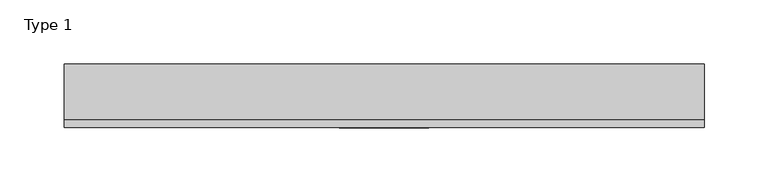
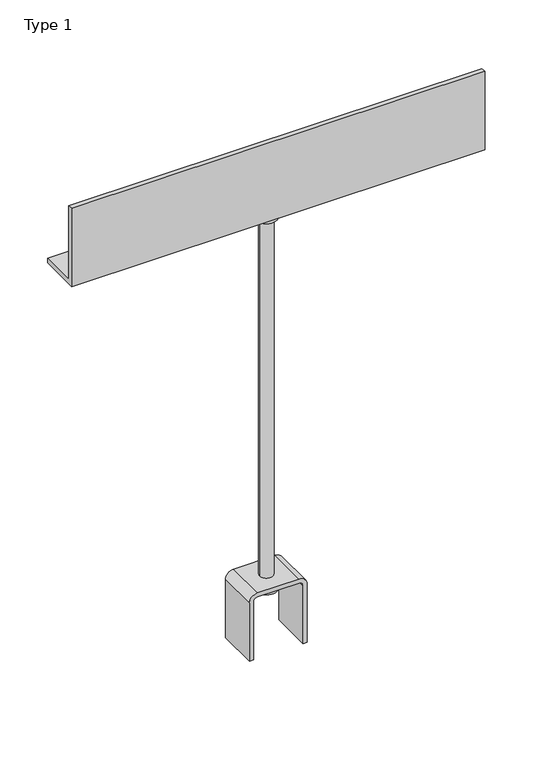
"""IFC4 building model written with IfcOpenShell, lengths in millimetres: proxy geometry, Type 1."""

import ifcopenshell
import ifcopenshell.guid

model = None  # the IFC model being written
_history = None  # IfcOwnerHistory: only IFC2X3 demands one
_inside = {}  # id of a spatial element -> (the spatial element, [elements in it])
_under = {}  # id of a project, library or spatial element -> (it, [spatial elements below it])
_declared = {}  # id of a project -> (the project, [libraries it declares])
_typed = {}  # id of a type object -> (the type object, [elements of that type])
_made_of = {}  # id of a material, layer set ... -> (it, [elements and type objects made of it])


def new_model(schema):
    """Start an empty IFC model of exactly this schema.

    Asked for "IFC4X3", IfcOpenShell would pick the latest addendum, in which some entities
    have other attributes; the version numbers below select the first issue.
    IFC2X3 requires an IfcOwnerHistory on every rooted entity: one is made here for all.
    """
    global model, _history
    if schema == "IFC4X3":
        model = ifcopenshell.file(schema_version=(4, 3, 0, 0))
    else:
        model = ifcopenshell.file(schema=schema)
    _inside.clear()
    _under.clear()
    _declared.clear()
    _typed.clear()
    _made_of.clear()
    _history = None
    if model.schema == "IFC2X3":
        org = make("IfcOrganization", Name="unknown")
        user = make(
            "IfcPersonAndOrganization",
            ThePerson=make("IfcPerson", FamilyName="unknown"),
            TheOrganization=org,
        )
        app = make(
            "IfcApplication",
            ApplicationDeveloper=org,
            Version="unknown",
            ApplicationFullName="unknown",
            ApplicationIdentifier="unknown",
        )
        _history = make(
            "IfcOwnerHistory",
            OwningUser=user,
            OwningApplication=app,
            ChangeAction="ADDED",
            CreationDate=0,
        )
    return model


def make(cls, **values):
    """One entity of the class cls with the attributes given. An attribute that is None is left unset."""
    return model.create_entity(
        cls, **{name: value for name, value in values.items() if value is not None}
    )


def rooted(cls, **values):
    """An entity with a GlobalId (a new one), such as an element, a storey or a relation."""
    return make(cls, GlobalId=ifcopenshell.guid.new(), OwnerHistory=_history, **values)


def si_unit(unit_type, name, prefix=None):
    """IfcSIUnit, for example si_unit("LENGTHUNIT", "METRE", prefix="MILLI")."""
    return make("IfcSIUnit", UnitType=unit_type, Prefix=prefix, Name=name)


def assignment(units):
    """IfcUnitAssignment: the units of a project."""
    return None if units is None else make("IfcUnitAssignment", Units=units)


def point(xyz):
    """IfcCartesianPoint."""
    return None if xyz is None else make("IfcCartesianPoint", Coordinates=xyz)


def direction(xyz):
    """IfcDirection."""
    return None if xyz is None else make("IfcDirection", DirectionRatios=xyz)


def frame(location, z_axis=None, x_axis=None):
    """IfcAxis2Placement3D, a coordinate frame: its origin and axes. An axis left out is left unset."""
    return make(
        "IfcAxis2Placement3D",
        Location=point(location),
        Axis=direction(z_axis),
        RefDirection=direction(x_axis),
    )


def frame_2d(location, x_axis=None):
    """IfcAxis2Placement2D, a coordinate frame in the plane: its origin and x axis."""
    return make(
        "IfcAxis2Placement2D", Location=point(location), RefDirection=direction(x_axis)
    )


def origin():
    """The frame at (0, 0, 0) with its axes left unset."""
    return frame((0.0, 0.0, 0.0))


def place(relative_to, where):
    """IfcLocalPlacement: puts the frame where relative to a parent placement (None: the world)."""
    return make(
        "IfcLocalPlacement", PlacementRelTo=relative_to, RelativePlacement=where
    )


def context(
    kind, dimensions, precision=None, world=None, true_north=None, identifier=None
):
    """IfcGeometricRepresentationContext, for example the 3D "Model" context."""
    return make(
        "IfcGeometricRepresentationContext",
        ContextIdentifier=identifier,
        ContextType=kind,
        CoordinateSpaceDimension=dimensions,
        Precision=precision,
        WorldCoordinateSystem=world,
        TrueNorth=true_north,
    )


def project(units=None, contexts=None):
    """IfcProject with its units and contexts."""
    return rooted(
        "IfcProject",
        Name="project",
        RepresentationContexts=contexts,
        UnitsInContext=assignment(units),
    )


def spatial(cls, under=None, at=None, **own):
    """A site, building, storey or space (cls), placed at a placement, below another one or the project."""
    s = rooted(cls, ObjectPlacement=at, **own)
    if under is not None:
        _under.setdefault(under.id(), (under, []))[1].append(s)
    return s


def polyline(points):
    """IfcPolyline through the points."""
    return make("IfcPolyline", Points=[point(p) for p in points])


def circle_curve(where, radius):
    """IfcCircle in the frame where."""
    return make("IfcCircle", Position=where, Radius=radius)


def trimmed(basis, trim1, trim2, sense, master):
    """IfcTrimmedCurve: the piece of a basis curve between two trims."""
    return make(
        "IfcTrimmedCurve",
        BasisCurve=basis,
        Trim1=trim1,
        Trim2=trim2,
        SenseAgreement=sense,
        MasterRepresentation=master,
    )


def segment(curve, same_sense, transition):
    """IfcCompositeCurveSegment."""
    return make(
        "IfcCompositeCurveSegment",
        Transition=transition,
        SameSense=same_sense,
        ParentCurve=curve,
    )


def composite_curve(segments, self_intersect=None):
    """IfcCompositeCurve: segments joined end to end."""
    return make("IfcCompositeCurve", Segments=segments, SelfIntersect=self_intersect)


def outline(outer, holes=None, kind="AREA"):
    """IfcArbitraryClosedProfileDef: a profile drawn as a closed curve; with holes, ...WithVoids."""
    if holes is None:
        return make("IfcArbitraryClosedProfileDef", ProfileType=kind, OuterCurve=outer)
    return make(
        "IfcArbitraryProfileDefWithVoids",
        ProfileType=kind,
        OuterCurve=outer,
        InnerCurves=holes,
    )


def extrude(swept, where, along, depth):
    """IfcExtrudedAreaSolid: the profile swept, set in the frame where, extruded along a direction by depth."""
    return make(
        "IfcExtrudedAreaSolid",
        SweptArea=swept,
        Position=where,
        ExtrudedDirection=direction(along),
        Depth=depth,
    )


def shape(context_of_items, identifier, shape_type, items):
    """IfcShapeRepresentation: the items that make up one representation, for example the "Body"."""
    return make(
        "IfcShapeRepresentation",
        ContextOfItems=context_of_items,
        RepresentationIdentifier=identifier,
        RepresentationType=shape_type,
        Items=items,
    )


def source(mapping_origin, context_of_items, identifier, shape_type, items):
    """IfcRepresentationMap: a shape defined once, which mapped items show again and again."""
    return make(
        "IfcRepresentationMap",
        MappingOrigin=mapping_origin,
        MappedRepresentation=shape(context_of_items, identifier, shape_type, items),
    )


def transform(
    local_origin,
    x_axis=None,
    y_axis=None,
    z_axis=None,
    scale=None,
    scale2=None,
    scale3=None,
    uniform=True,
):
    """IfcCartesianTransformationOperator3D, or its non-uniform kind. x_axis, y_axis, z_axis: its Axis1, 2, 3."""
    if uniform:
        return make(
            "IfcCartesianTransformationOperator3D",
            Axis1=direction(x_axis),
            Axis2=direction(y_axis),
            LocalOrigin=point(local_origin),
            Scale=scale,
            Axis3=direction(z_axis),
        )
    return make(
        "IfcCartesianTransformationOperator3DnonUniform",
        Axis1=direction(x_axis),
        Axis2=direction(y_axis),
        LocalOrigin=point(local_origin),
        Scale=scale,
        Axis3=direction(z_axis),
        Scale2=scale2,
        Scale3=scale3,
    )


def mapped(mapping_source, mapping_target):
    """IfcMappedItem: shows the shape of a source again, moved by a transform."""
    return make(
        "IfcMappedItem", MappingSource=mapping_source, MappingTarget=mapping_target
    )


def made_of(thing, what):
    """Note that an element or type object is made of a material, layer set ...; save() writes the relation."""
    if what is not None:
        _made_of.setdefault(what.id(), (what, []))[1].append(thing)
    return thing


def element(
    cls,
    number,
    at=None,
    inside=None,
    cuts=None,
    type_object=None,
    material=None,
    context=None,
    identifier="Body",
    shape_type=None,
    held_by="IfcProductDefinitionShape",
    body=None,
    shapes=None,
    **own,
):
    """One element of the class cls, such as IfcWall. Its Tag is "e" and its number.

    at: its placement. inside: the storey or other place that contains it. cuts: it is an
    opening in that element (IfcRelVoidsElement). A single representation is given by context,
    identifier, shape_type and body (its items); several are given by shapes. held_by: the class
    of the entity that holds the representations. save() writes the other relations.
    """
    e = rooted(cls, Tag="e%d" % number, ObjectPlacement=at, **own)
    if body is not None:
        shapes = [shape(context, identifier, shape_type, body)]
    if shapes is not None:
        e.Representation = make(held_by, Representations=shapes)
    if inside is not None:
        _inside.setdefault(inside.id(), (inside, []))[1].append(e)
    if cuts is not None:
        rooted(
            "IfcRelVoidsElement", RelatingBuildingElement=cuts, RelatedOpeningElement=e
        )
    if type_object is not None:
        _typed.setdefault(type_object.id(), (type_object, []))[1].append(e)
    return made_of(e, material)


def aggregate(whole, parts):
    """IfcRelAggregates: a whole, such as a stair, and the parts it consists of."""
    return rooted("IfcRelAggregates", RelatingObject=whole, RelatedObjects=parts)


def save(model, path):
    """Write the relations noted so far, then the file.

    IfcRelAggregates (storeys below a building ...), IfcRelContainedInSpatialStructure (elements
    in a storey), IfcRelDefinesByType, IfcRelAssociatesMaterial and IfcRelDeclares: one each for
    every whole, place, type object, material and project.
    """
    for whole, parts in _under.values():
        aggregate(whole, parts)
    for where, things in _inside.values():
        rooted(
            "IfcRelContainedInSpatialStructure",
            RelatedElements=things,
            RelatingStructure=where,
        )
    for kind, things in _typed.values():
        rooted("IfcRelDefinesByType", RelatedObjects=things, RelatingType=kind)
    for what, things in _made_of.values():
        rooted("IfcRelAssociatesMaterial", RelatedObjects=things, RelatingMaterial=what)
    for by, libraries in _declared.values():
        rooted("IfcRelDeclares", RelatingContext=by, RelatedDefinitions=libraries)
    model.write(path)


def plane_surface(at):
    """IfcPlane: the flat surface through the origin of the frame at, square to its z axis."""
    return make("IfcPlane", Position=at)


def cylinder_surface(at, radius):
    """IfcCylindricalSurface: all points at the distance radius from the z axis of the frame at."""
    return make("IfcCylindricalSurface", Position=at, Radius=radius)


def advanced_brep(points, edges, surfaces, faces):
    """IfcAdvancedBrep: a solid bounded by faces that lie on surfaces and meet in shared edges.

    An edge is (start, end): straight between two places in points (the first is 0);
    or (start, end, curve); or (start, end, curve, False) where it runs against its curve.
    A face is (place in surfaces, loops), or (place, loops, False) where it looks against
    its surface's normal. A loop lists edges by number (the first is 1), with a minus sign
    where the edge is run from its end to its start. The first loop is the outer one.
    """
    corners = [point(p) for p in points]
    vertices = [make("IfcVertexPoint", VertexGeometry=c) for c in corners]
    made = []
    for start, end, *more in edges:
        made.append(
            make(
                "IfcEdgeCurve",
                EdgeStart=vertices[start],
                EdgeEnd=vertices[end],
                EdgeGeometry=more[0] if more else make("IfcPolyline", Points=[corners[start], corners[end]]),
                SameSense=more[1] if len(more) > 1 else True,
            )
        )
    hull = []
    for where, loops, *sense in faces:
        bounds = []
        for j, loop in enumerate(loops):
            ring = [make("IfcOrientedEdge", EdgeElement=made[abs(k) - 1], Orientation=k > 0) for k in loop]
            bounds.append(
                make(
                    "IfcFaceOuterBound" if j == 0 else "IfcFaceBound",
                    Bound=make("IfcEdgeLoop", EdgeList=ring),
                    Orientation=True,
                )
            )
        hull.append(make("IfcAdvancedFace", Bounds=bounds, FaceSurface=surfaces[where], SameSense=sense[0] if sense else True))
    return make("IfcAdvancedBrep", Outer=make("IfcClosedShell", CfsFaces=hull))


def type_1_21174755(model_context):
    return source(origin(), model_context, "Body", "SolidModel", [
        extrude(outline(composite_curve([segment(polyline([(320.0, -35.0), (246.0, -35.0), (246.0, -30.0), (320.0, -30.0)]), True, "CONTINUOUS"), segment(trimmed(circle_curve(frame_2d((320.0, -25.0)), 5.0), [point((320.0, -30.0))], [point((325.0, -25.0))], True, "CARTESIAN"), True, "CONTINUOUS"), segment(polyline([(325.0, -25.0), (325.0, 25.0)]), True, "CONTINUOUS"), segment(trimmed(circle_curve(frame_2d((320.0, 25.0)), 5.0), [point((325.0, 25.0))], [point((320.0, 30.0))], True, "CARTESIAN"), True, "CONTINUOUS"), segment(polyline([(320.0, 30.0), (246.0, 30.0), (246.0, 35.0), (320.0, 35.0)]), True, "CONTINUOUS"), segment(trimmed(circle_curve(frame_2d((320.0, 25.0)), 10.0), [point((320.0, 35.0))], [point((330.0, 25.0))], False, "CARTESIAN"), True, "CONTINUOUS"), segment(polyline([(330.0, 25.0), (330.0, -25.0)]), True, "CONTINUOUS"), segment(trimmed(circle_curve(frame_2d((320.0, -25.0)), 10.0), [point((330.0, -25.0))], [point((320.0, -35.0))], False, "CARTESIAN"), True, "CONTINUOUS")], self_intersect=False)), frame((0.0, 222.5, 0.0), z_axis=(0.0, 1.0, 0.0), x_axis=(0.0, 0.0, 1.0)), (0.0, 0.0, 1.0), 50.0),
        extrude(outline(polyline([(272.5, 800.0), (222.5, 800.0), (222.5, 900.0), (228.5, 900.0), (228.5, 806.0), (272.5, 806.0), (272.5, 800.0)])), frame((-250.0, 0.0, 0.0), z_axis=(1.0, 0.0, 0.0), x_axis=(0.0, 1.0, 0.0)), (0.0, 0.0, 1.0), 500.0),
        advanced_brep(
        [(13.0, 247.5, 787.0), (-13.0, 247.5, 787.0), (-13.0, 247.5, 800.0), (13.0, 247.5, 800.0), (8.0, 247.5, 787.0), (-8.0, 247.5, 787.0), (8.0, 247.5, 325.0), (-8.0, 247.5, 325.0), (13.0, 247.5, 312.5), (-13.0, 247.5, 312.5), (-13.0, 247.5, 325.0), (13.0, 247.5, 325.0), (0.0, 247.5, 312.5), (0.0, 247.5, 800.0)],
        [
            (0, 1, circle_curve(frame((0.0, 247.5, 787.0), z_axis=(0.0, 0.0, 1.0), x_axis=(-1.0, 0.0, 0.0)), 13.0)),
            (1, 2),
            (2, 3, circle_curve(frame((0.0, 247.5, 800.0), z_axis=(0.0, 0.0, -1.0), x_axis=(-1.0, 0.0, 0.0)), 13.0)),
            (3, 0),
            (1, 0, circle_curve(frame((0.0, 247.5, 787.0), z_axis=(0.0, 0.0, 1.0), x_axis=(-1.0, 0.0, 0.0)), 13.0)),
            (3, 2, circle_curve(frame((0.0, 247.5, 800.0), z_axis=(0.0, 0.0, -1.0), x_axis=(-1.0, 0.0, 0.0)), 13.0)),
            (4, 5, circle_curve(frame((0.0, 247.5, 787.0), z_axis=(0.0, 0.0, 1.0), x_axis=(-1.0, 0.0, 0.0)), 8.0)),
            (5, 1),
            (0, 4),
            (5, 4, circle_curve(frame((0.0, 247.5, 787.0), z_axis=(0.0, 0.0, 1.0), x_axis=(-1.0, 0.0, 0.0)), 8.0)),
            (6, 7, circle_curve(frame((0.0, 247.5, 325.0), z_axis=(0.0, 0.0, 1.0), x_axis=(-1.0, 0.0, 0.0)), 8.0)),
            (7, 5),
            (4, 6),
            (7, 6, circle_curve(frame((0.0, 247.5, 325.0), z_axis=(0.0, 0.0, 1.0), x_axis=(-1.0, 0.0, 0.0)), 8.0)),
            (8, 9, circle_curve(frame((0.0, 247.5, 312.5), z_axis=(0.0, 0.0, 1.0), x_axis=(-1.0, 0.0, 0.0)), 13.0)),
            (9, 10),
            (10, 11, circle_curve(frame((0.0, 247.5, 325.0), z_axis=(0.0, 0.0, -1.0), x_axis=(-1.0, 0.0, 0.0)), 13.0)),
            (11, 8),
            (9, 8, circle_curve(frame((0.0, 247.5, 312.5), z_axis=(0.0, 0.0, 1.0), x_axis=(-1.0, 0.0, 0.0)), 13.0)),
            (11, 10, circle_curve(frame((0.0, 247.5, 325.0), z_axis=(0.0, 0.0, -1.0), x_axis=(-1.0, 0.0, 0.0)), 13.0)),
            (12, 9),
            (8, 12),
            (2, 13),
            (13, 3),
            (10, 7),
            (6, 11),
        ],
        [
            cylinder_surface(frame((0.0, 247.5, 537.4767041), z_axis=(0.0, 0.0, -1.0), x_axis=(-1.0, 0.0, 0.0)), 13.0),
            plane_surface(frame((0.0, 247.5, 787.0), z_axis=(0.0, 0.0, -1.0), x_axis=(-1.0, 0.0, 0.0))),
            cylinder_surface(frame((0.0, 247.5, 537.4767041), z_axis=(0.0, 0.0, -1.0), x_axis=(-1.0, 0.0, 0.0)), 8.0),
            plane_surface(frame((0.0, 247.5, 312.5), z_axis=(0.0, 0.0, -1.0), x_axis=(-1.0, 0.0, 0.0))),
            plane_surface(frame((0.0, 247.5, 800.0), z_axis=(0.0, 0.0, 1.0), x_axis=(-1.0, 0.0, 0.0))),
            plane_surface(frame((0.0, 247.5, 325.0), z_axis=(0.0, 0.0, 1.0), x_axis=(-1.0, 0.0, 0.0))),
        ],
        [
            (0, [[1, 2, 3, 4]]),
            (0, [[5, -4, 6, -2]]),
            (1, [[7, 8, -1, 9]]),
            (1, [[10, -9, -5, -8]]),
            (2, [[11, 12, -7, 13]]),
            (2, [[14, -13, -10, -12]]),
            (0, [[15, 16, 17, 18]]),
            (0, [[19, -18, 20, -16]]),
            (3, [[21, -15, 22]]),
            (3, [[-22, -19, -21]]),
            (4, [[-3, 23, 24]]),
            (4, [[-6, -24, -23]]),
            (5, [[-17, 25, -11, 26]]),
            (5, [[-20, -26, -14, -25]]),
        ],
    ),
    ])


if __name__ == "__main__":
    model = new_model("IFC4")
    model_context = context("Model", 3, world=origin())
    ifc_project = project(units=[si_unit("LENGTHUNIT", "METRE", prefix="MILLI")], contexts=[model_context])
    site = spatial("IfcSite", under=ifc_project)
    building = spatial("IfcBuilding", under=site)
    placement = place(None, origin())
    type_1_shape = type_1_21174755(model_context)
    element("IfcBuildingElementProxy", 1, Name="Type 1", ObjectType="Type 1", at=placement, inside=building, context=model_context, shape_type="MappedRepresentation", body=[
        mapped(type_1_shape, transform((0.0, 0.0, 0.0), x_axis=(1.0, 0.0, 0.0), y_axis=(0.0, 1.0, 0.0), z_axis=(0.0, 0.0, 1.0))),
    ])
    save(model, "model.ifc")
